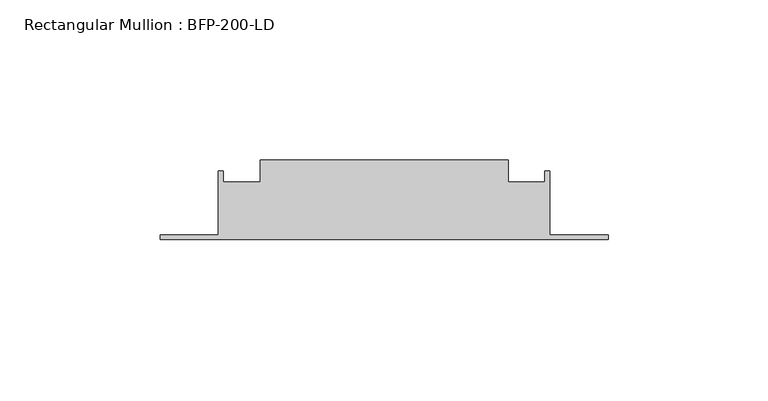
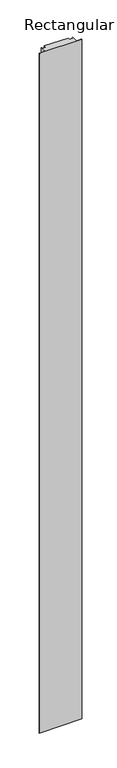
"""IFC4 building model written with IfcOpenShell, lengths in millimetres: member geometry, Rectangular Mullion : BFP-200-LD."""

from ifc_helpers import new_model, si_unit, frame, origin, place, context, project, spatial, polyline, outline, extrude, source, transform, mapped, element, save


def rectangular_mullion_bfp_200_ld_d3eb32a6(model_context):
    return source(origin(), model_context, "Body", "SweptSolid", [
        extrude(outline(polyline([(-31.25, 45.0), (-31.25, 38.0), (-19.75, 38.0), (-19.75, 41.5), (-18.25, 41.5), (-18.25, 21.5), (0.0, 21.5), (0.0, 20.0), (-140.0, 20.0), (-140.0, 21.5), (-121.75, 21.5), (-121.75, 41.5), (-120.25, 41.5), (-120.25, 38.0), (-108.75, 38.0), (-108.75, 45.0), (-31.25, 45.0)])), frame((0.0, 0.0, -2360.0), z_axis=(0.0, 0.0, 1.0), x_axis=(1.0, 0.0, 0.0)), (0.0, 0.0, 1.0), 2360.0),
    ])


if __name__ == "__main__":
    model = new_model("IFC4")
    model_context = context("Model", 3, world=origin())
    ifc_project = project(units=[si_unit("LENGTHUNIT", "METRE", prefix="MILLI")], contexts=[model_context])
    site = spatial("IfcSite", under=ifc_project)
    building = spatial("IfcBuilding", under=site)
    placement = place(None, origin())
    rectangular_mullion_bfp_200_ld_shape = rectangular_mullion_bfp_200_ld_d3eb32a6(model_context)
    element("IfcMember", 1, ObjectType="Rectangular Mullion : BFP-200-LD", at=placement, inside=building, context=model_context, shape_type="MappedRepresentation", body=[
        mapped(rectangular_mullion_bfp_200_ld_shape, transform((0.0, 0.0, 0.0), x_axis=(1.0, 0.0, 0.0), y_axis=(0.0, 1.0, 0.0), z_axis=(0.0, 0.0, 1.0))),
    ])
    save(model, "model.ifc")
